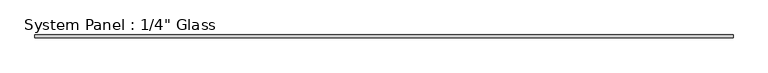
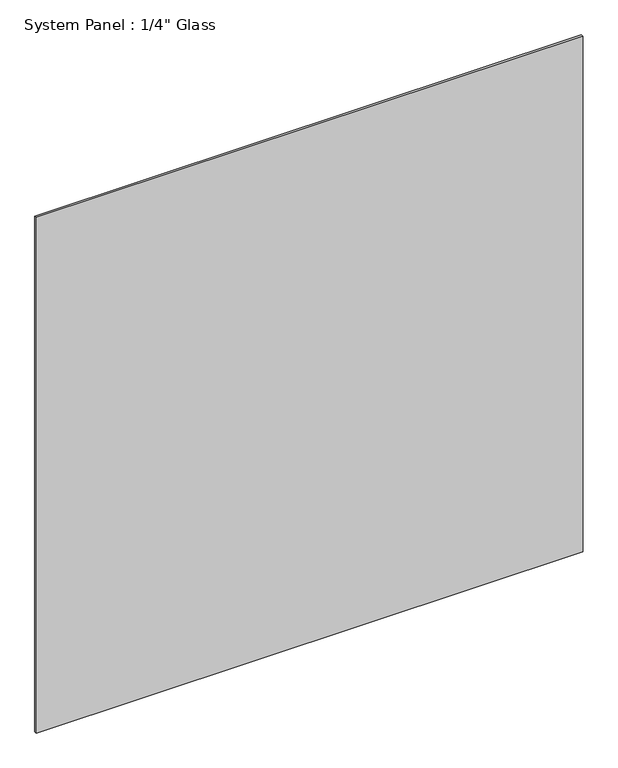
"""IFC4 building model written with IfcOpenShell, lengths in millimetres: plate geometry."""

import ifcopenshell
import ifcopenshell.guid

model = None  # the IFC model being written
_history = None  # IfcOwnerHistory: only IFC2X3 demands one
_inside = {}  # id of a spatial element -> (the spatial element, [elements in it])
_under = {}  # id of a project, library or spatial element -> (it, [spatial elements below it])
_declared = {}  # id of a project -> (the project, [libraries it declares])
_typed = {}  # id of a type object -> (the type object, [elements of that type])
_made_of = {}  # id of a material, layer set ... -> (it, [elements and type objects made of it])


def new_model(schema):
    """Start an empty IFC model of exactly this schema.

    Asked for "IFC4X3", IfcOpenShell would pick the latest addendum, in which some entities
    have other attributes; the version numbers below select the first issue.
    IFC2X3 requires an IfcOwnerHistory on every rooted entity: one is made here for all.
    """
    global model, _history
    if schema == "IFC4X3":
        model = ifcopenshell.file(schema_version=(4, 3, 0, 0))
    else:
        model = ifcopenshell.file(schema=schema)
    _inside.clear()
    _under.clear()
    _declared.clear()
    _typed.clear()
    _made_of.clear()
    _history = None
    if model.schema == "IFC2X3":
        org = make("IfcOrganization", Name="unknown")
        user = make(
            "IfcPersonAndOrganization",
            ThePerson=make("IfcPerson", FamilyName="unknown"),
            TheOrganization=org,
        )
        app = make(
            "IfcApplication",
            ApplicationDeveloper=org,
            Version="unknown",
            ApplicationFullName="unknown",
            ApplicationIdentifier="unknown",
        )
        _history = make(
            "IfcOwnerHistory",
            OwningUser=user,
            OwningApplication=app,
            ChangeAction="ADDED",
            CreationDate=0,
        )
    return model


def make(cls, **values):
    """One entity of the class cls with the attributes given. An attribute that is None is left unset."""
    return model.create_entity(
        cls, **{name: value for name, value in values.items() if value is not None}
    )


def rooted(cls, **values):
    """An entity with a GlobalId (a new one), such as an element, a storey or a relation."""
    return make(cls, GlobalId=ifcopenshell.guid.new(), OwnerHistory=_history, **values)


def si_unit(unit_type, name, prefix=None):
    """IfcSIUnit, for example si_unit("LENGTHUNIT", "METRE", prefix="MILLI")."""
    return make("IfcSIUnit", UnitType=unit_type, Prefix=prefix, Name=name)


def assignment(units):
    """IfcUnitAssignment: the units of a project."""
    return None if units is None else make("IfcUnitAssignment", Units=units)


def point(xyz):
    """IfcCartesianPoint."""
    return None if xyz is None else make("IfcCartesianPoint", Coordinates=xyz)


def direction(xyz):
    """IfcDirection."""
    return None if xyz is None else make("IfcDirection", DirectionRatios=xyz)


def frame(location, z_axis=None, x_axis=None):
    """IfcAxis2Placement3D, a coordinate frame: its origin and axes. An axis left out is left unset."""
    return make(
        "IfcAxis2Placement3D",
        Location=point(location),
        Axis=direction(z_axis),
        RefDirection=direction(x_axis),
    )


def origin():
    """The frame at (0, 0, 0) with its axes left unset."""
    return frame((0.0, 0.0, 0.0))


def origin_with_axes():
    """The frame at (0, 0, 0) with the z axis (0, 0, 1) and the x axis (1, 0, 0) written out."""
    return frame((0.0, 0.0, 0.0), z_axis=(0.0, 0.0, 1.0), x_axis=(1.0, 0.0, 0.0))


def place(relative_to, where):
    """IfcLocalPlacement: puts the frame where relative to a parent placement (None: the world)."""
    return make(
        "IfcLocalPlacement", PlacementRelTo=relative_to, RelativePlacement=where
    )


def context(
    kind, dimensions, precision=None, world=None, true_north=None, identifier=None
):
    """IfcGeometricRepresentationContext, for example the 3D "Model" context."""
    return make(
        "IfcGeometricRepresentationContext",
        ContextIdentifier=identifier,
        ContextType=kind,
        CoordinateSpaceDimension=dimensions,
        Precision=precision,
        WorldCoordinateSystem=world,
        TrueNorth=true_north,
    )


def project(units=None, contexts=None):
    """IfcProject with its units and contexts."""
    return rooted(
        "IfcProject",
        Name="project",
        RepresentationContexts=contexts,
        UnitsInContext=assignment(units),
    )


def spatial(cls, under=None, at=None, **own):
    """A site, building, storey or space (cls), placed at a placement, below another one or the project."""
    s = rooted(cls, ObjectPlacement=at, **own)
    if under is not None:
        _under.setdefault(under.id(), (under, []))[1].append(s)
    return s


def polyline(points):
    """IfcPolyline through the points."""
    return make("IfcPolyline", Points=[point(p) for p in points])


def outline(outer, holes=None, kind="AREA"):
    """IfcArbitraryClosedProfileDef: a profile drawn as a closed curve; with holes, ...WithVoids."""
    if holes is None:
        return make("IfcArbitraryClosedProfileDef", ProfileType=kind, OuterCurve=outer)
    return make(
        "IfcArbitraryProfileDefWithVoids",
        ProfileType=kind,
        OuterCurve=outer,
        InnerCurves=holes,
    )


def extrude(swept, where, along, depth):
    """IfcExtrudedAreaSolid: the profile swept, set in the frame where, extruded along a direction by depth."""
    return make(
        "IfcExtrudedAreaSolid",
        SweptArea=swept,
        Position=where,
        ExtrudedDirection=direction(along),
        Depth=depth,
    )


def shape(context_of_items, identifier, shape_type, items):
    """IfcShapeRepresentation: the items that make up one representation, for example the "Body"."""
    return make(
        "IfcShapeRepresentation",
        ContextOfItems=context_of_items,
        RepresentationIdentifier=identifier,
        RepresentationType=shape_type,
        Items=items,
    )


def source(mapping_origin, context_of_items, identifier, shape_type, items):
    """IfcRepresentationMap: a shape defined once, which mapped items show again and again."""
    return make(
        "IfcRepresentationMap",
        MappingOrigin=mapping_origin,
        MappedRepresentation=shape(context_of_items, identifier, shape_type, items),
    )


def transform(
    local_origin,
    x_axis=None,
    y_axis=None,
    z_axis=None,
    scale=None,
    scale2=None,
    scale3=None,
    uniform=True,
):
    """IfcCartesianTransformationOperator3D, or its non-uniform kind. x_axis, y_axis, z_axis: its Axis1, 2, 3."""
    if uniform:
        return make(
            "IfcCartesianTransformationOperator3D",
            Axis1=direction(x_axis),
            Axis2=direction(y_axis),
            LocalOrigin=point(local_origin),
            Scale=scale,
            Axis3=direction(z_axis),
        )
    return make(
        "IfcCartesianTransformationOperator3DnonUniform",
        Axis1=direction(x_axis),
        Axis2=direction(y_axis),
        LocalOrigin=point(local_origin),
        Scale=scale,
        Axis3=direction(z_axis),
        Scale2=scale2,
        Scale3=scale3,
    )


def mapped(mapping_source, mapping_target):
    """IfcMappedItem: shows the shape of a source again, moved by a transform."""
    return make(
        "IfcMappedItem", MappingSource=mapping_source, MappingTarget=mapping_target
    )


def made_of(thing, what):
    """Note that an element or type object is made of a material, layer set ...; save() writes the relation."""
    if what is not None:
        _made_of.setdefault(what.id(), (what, []))[1].append(thing)
    return thing


def element(
    cls,
    number,
    at=None,
    inside=None,
    cuts=None,
    type_object=None,
    material=None,
    context=None,
    identifier="Body",
    shape_type=None,
    held_by="IfcProductDefinitionShape",
    body=None,
    shapes=None,
    **own,
):
    """One element of the class cls, such as IfcWall. Its Tag is "e" and its number.

    at: its placement. inside: the storey or other place that contains it. cuts: it is an
    opening in that element (IfcRelVoidsElement). A single representation is given by context,
    identifier, shape_type and body (its items); several are given by shapes. held_by: the class
    of the entity that holds the representations. save() writes the other relations.
    """
    e = rooted(cls, Tag="e%d" % number, ObjectPlacement=at, **own)
    if body is not None:
        shapes = [shape(context, identifier, shape_type, body)]
    if shapes is not None:
        e.Representation = make(held_by, Representations=shapes)
    if inside is not None:
        _inside.setdefault(inside.id(), (inside, []))[1].append(e)
    if cuts is not None:
        rooted(
            "IfcRelVoidsElement", RelatingBuildingElement=cuts, RelatedOpeningElement=e
        )
    if type_object is not None:
        _typed.setdefault(type_object.id(), (type_object, []))[1].append(e)
    return made_of(e, material)


def aggregate(whole, parts):
    """IfcRelAggregates: a whole, such as a stair, and the parts it consists of."""
    return rooted("IfcRelAggregates", RelatingObject=whole, RelatedObjects=parts)


def save(model, path):
    """Write the relations noted so far, then the file.

    IfcRelAggregates (storeys below a building ...), IfcRelContainedInSpatialStructure (elements
    in a storey), IfcRelDefinesByType, IfcRelAssociatesMaterial and IfcRelDeclares: one each for
    every whole, place, type object, material and project.
    """
    for whole, parts in _under.values():
        aggregate(whole, parts)
    for where, things in _inside.values():
        rooted(
            "IfcRelContainedInSpatialStructure",
            RelatedElements=things,
            RelatingStructure=where,
        )
    for kind, things in _typed.values():
        rooted("IfcRelDefinesByType", RelatedObjects=things, RelatingType=kind)
    for what, things in _made_of.values():
        rooted("IfcRelAssociatesMaterial", RelatedObjects=things, RelatingMaterial=what)
    for by, libraries in _declared.values():
        rooted("IfcRelDeclares", RelatingContext=by, RelatedDefinitions=libraries)
    model.write(path)


def plate_a9ed1e5a(model_context):
    return source(origin(), model_context, "Body", "SweptSolid", [
        extrude(outline(polyline([(738.1875, -3.175), (-738.1875, -3.175), (-738.1875, 3.175), (738.1875, 3.175), (738.1875, -3.175)])), origin_with_axes(), (0.0, 0.0, 1.0), 1471.8280745),
    ])


if __name__ == "__main__":
    model = new_model("IFC4")
    model_context = context("Model", 3, world=origin())
    ifc_project = project(units=[si_unit("LENGTHUNIT", "METRE", prefix="MILLI")], contexts=[model_context])
    site = spatial("IfcSite", under=ifc_project)
    building = spatial("IfcBuilding", under=site)
    placement = place(None, origin())
    plate_shape = plate_a9ed1e5a(model_context)
    element("IfcPlate", 1, ObjectType="System Panel : 1/4\" Glass", at=placement, inside=building, context=model_context, shape_type="MappedRepresentation", body=[
        mapped(plate_shape, transform((0.0, 0.0, 0.0), x_axis=(1.0, 0.0, 0.0), y_axis=(0.0, 1.0, 0.0), z_axis=(0.0, 0.0, 1.0))),
    ])
    save(model, "model.ifc")
